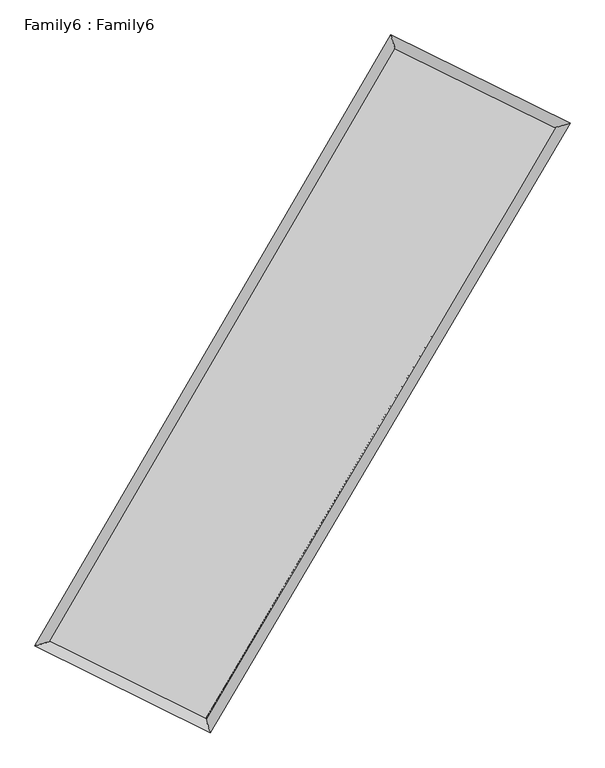
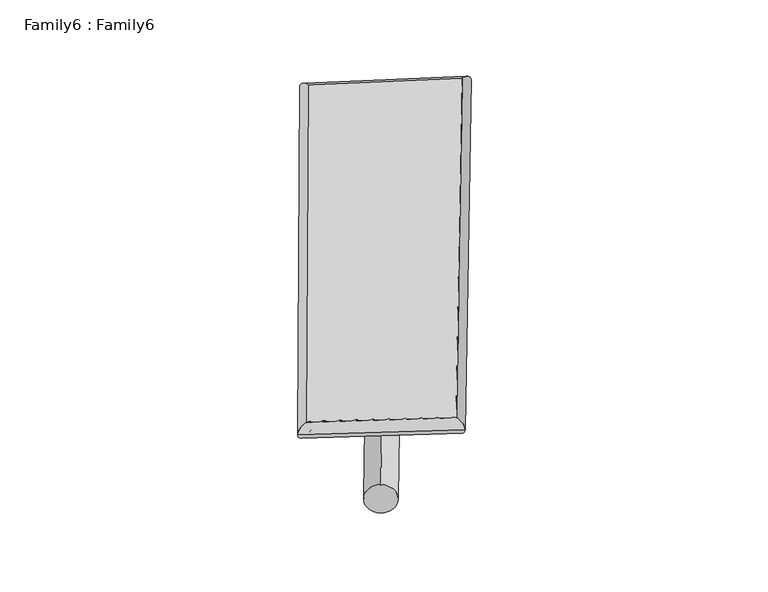
"""IFC4 building model written with IfcOpenShell, lengths in millimetres: plate geometry, Family6 : Family6."""

from ifc_helpers import new_model, si_unit, point, frame, origin, origin_2d, place, context, project, spatial, circle_curve, ellipse_curve, trimmed, segment, composite_curve, outline, extrude, source, transform, mapped, element, save
from ifc_brep_helpers import plane_surface, cylinder_surface, spline_surface, advanced_brep


def family6_family6_a7a765a9(model_context):
    return source(origin(), model_context, "Body", "SolidModel", [
        extrude(outline(composite_curve([segment(trimmed(circle_curve(origin_2d(), 76.2), [point((-75.4341514, -10.7763073))], [point((75.4341514, 10.7763073))], False, "CARTESIAN"), True, "CONTINUOUS"), segment(trimmed(circle_curve(origin_2d(), 76.2), [point((75.4341514, 10.7763073))], [point((-75.4341514, -10.7763073))], False, "CARTESIAN"), True, "CONTINUOUS")], self_intersect=False)), frame((9144.0, 9144.0, 0.0), z_axis=(0.6777962693690562, 0.6843222197481966, 0.26887788452807104), x_axis=(-0.6761706441880361, 0.7237832240190774, -0.13759035055877453)), (0.0, 0.0, 1.0), 5700.5091375),
        extrude(outline(composite_curve([segment(trimmed(circle_curve(origin_2d(), 76.2), [point((-53.8815368, 53.8815367))], [point((53.8815368, -53.8815367))], False, "CARTESIAN"), True, "CONTINUOUS"), segment(trimmed(circle_curve(origin_2d(), 76.2), [point((53.8815368, -53.8815367))], [point((-53.8815368, 53.8815367))], False, "CARTESIAN"), True, "CONTINUOUS")], self_intersect=False)), frame((9144.0, 9144.0, 0.0), z_axis=(-0.6739009318076203, -0.6879168527754222, 0.26949571012611506), x_axis=(0.6396247043180499, -0.3606580251821437, 0.6788269488594008)), (0.0, 0.0, 1.0), 5687.4943057),
        extrude(outline(composite_curve([segment(trimmed(circle_curve(origin_2d(), 76.2), [point((-53.8815368, -53.8815367))], [point((53.8815368, 53.8815367))], False, "CARTESIAN"), True, "CONTINUOUS"), segment(trimmed(circle_curve(origin_2d(), 76.2), [point((53.8815368, 53.8815367))], [point((-53.8815368, -53.8815367))], False, "CARTESIAN"), True, "CONTINUOUS")], self_intersect=False)), frame((9144.0, 9144.0, 0.0), z_axis=(0.2573024851326787, 0.926526927608176, 0.27448731038337904), x_axis=(-0.8432739926020699, 0.35400003161308863, -0.4044415297900259)), (0.0, 0.0, 1.0), 5511.6901672),
        extrude(outline(composite_curve([segment(trimmed(circle_curve(origin_2d(), 76.2), [point((-75.4341514, 10.7763074))], [point((75.4341514, -10.7763074))], False, "CARTESIAN"), True, "CONTINUOUS"), segment(trimmed(circle_curve(origin_2d(), 76.2), [point((75.4341514, -10.7763074))], [point((-75.4341514, 10.7763074))], False, "CARTESIAN"), True, "CONTINUOUS")], self_intersect=False)), frame((9144.0, 9144.0, 0.0), z_axis=(-0.26281091878759644, -0.9249348772141227, 0.274637750280101), x_axis=(0.8818706192770431, -0.11478866325265208, 0.4573049022748321)), (0.0, 0.0, 1.0), 5507.4249707),
        advanced_brep(
        [(5097.483459, 5167.2832435, 1531.3417673), (5097.4719359, 5167.26512, 1534.7135687), (5524.9011165, 5295.6703906, 1534.1688662), (10622.3199964, 14051.162584, 1514.8835323), (10502.0231582, 14450.2961291, 1510.894487), (5524.9126395, 5295.6885141, 1530.7970648), (12792.9995422, 12980.9665757, 1532.5036424), (13222.5681116, 13109.0035577, 1532.9780329), (7637.3480941, 4249.399702, 1512.9010115), (7755.8290725, 3850.5814199, 1512.1925961)],
        [
            (0, 1, ellipse_curve(frame((5311.1922877, 5231.476817, 1532.7553168), z_axis=(-0.28770335607229836, 0.9577105177901818, 0.004164495023213609), x_axis=(-0.9576908113563171, -0.2877256953049804, 0.006498777188433474)), 223.1673382, 152.4)),
            (1, 2, ellipse_curve(frame((5311.1922877, 5231.476817, 1532.7553168), z_axis=(-0.28770335607229836, 0.9577105177901818, 0.004164495023213609), x_axis=(-0.9576908113563171, -0.2877256953049804, 0.006498777188433474)), 223.1673382, 152.4)),
            (2, 3),
            (3, 4, ellipse_curve(frame((10562.1715773, 14250.7293566, 1512.8890097), z_axis=(-0.95744127412506, -0.2886047224836759, -0.0036770588657695667), x_axis=(0.28857643977490227, -0.9574332016847005, 0.006730729427458753)), 208.4442656, 152.4)),
            (4, 0),
            (2, 5, ellipse_curve(frame((5311.1922877, 5231.476817, 1532.7553168), z_axis=(-0.28770335607229836, 0.9577105177901818, 0.004164495023213609), x_axis=(-0.9576908113563171, -0.2877256953049804, 0.006498777188433474)), 223.1673382, 152.4)),
            (5, 0, ellipse_curve(frame((5311.1922877, 5231.476817, 1532.7553168), z_axis=(-0.28770335607229836, 0.9577105177901818, 0.004164495023213609), x_axis=(-0.9576908113563171, -0.2877256953049804, 0.006498777188433474)), 223.1673382, 152.4)),
            (4, 3, ellipse_curve(frame((10562.1715773, 14250.7293566, 1512.8890097), z_axis=(-0.95744127412506, -0.2886047224836759, -0.0036770588657695667), x_axis=(0.28857643977490227, -0.9574332016847005, 0.006730729427458753)), 208.4442656, 152.4)),
            (3, 6),
            (6, 7, ellipse_curve(frame((13007.7838269, 13044.9850667, 1532.7408376), z_axis=(-0.28563510837353184, 0.9583303840929239, -0.003931893786665818), x_axis=(-0.9583118206718447, -0.28565535293327216, -0.006282809974981045)), 224.1256493, 152.4)),
            (7, 4),
            (7, 6, ellipse_curve(frame((13007.7838269, 13044.9850667, 1532.7408376), z_axis=(-0.28563510837353184, 0.9583303840929239, -0.003931893786665818), x_axis=(-0.9583118206718447, -0.28565535293327216, -0.006282809974981045)), 224.1256493, 152.4)),
            (6, 8),
            (8, 9, ellipse_curve(frame((7696.5885833, 4049.990561, 1512.5468038), z_axis=(0.9585841865904228, 0.28478315333892695, -0.003861708574575599), x_axis=(-0.2847524059945344, 0.958575565597884, 0.006996593386816499)), 208.0255115, 152.4)),
            (9, 7),
            (9, 8, ellipse_curve(frame((7696.5885833, 4049.990561, 1512.5468038), z_axis=(0.9585841865904228, 0.28478315333892695, -0.003861708574575599), x_axis=(-0.2847524059945344, 0.958575565597884, 0.006996593386816499)), 208.0255115, 152.4)),
            (8, 5),
            (1, 9),
        ],
        [
            cylinder_surface(frame((5311.1922877, 5231.476817, 1532.7553168), z_axis=(-0.5031370517328129, -0.8642045381101561, 0.0019035449626205996), x_axis=(-0.8641616506061872, 0.5030871681251416, -0.011311184262283887)), 152.4),
            cylinder_surface(frame((10562.1715773, 14250.7293566, 1512.8890097), z_axis=(-0.896892349554649, 0.44218899757813424, -0.007280366143686265), x_axis=(0.4422330575790672, 0.8968780902414789, -0.00629396767287292)), 152.4),
            cylinder_surface(frame((13007.7838269, 13044.9850667, 1532.7408376), z_axis=(0.5084424720467738, 0.8610937901461029, 0.001933181518864275), x_axis=(0.8610957982076013, -0.508442472046774, -0.0005281365160480924)), 152.4),
            cylinder_surface(frame((7696.5885833, 4049.990561, 1512.5468038), z_axis=(0.8960797809398018, -0.4438281167336191, -0.007591375867795223), x_axis=(-0.4438037744465186, -0.8961115159237085, 0.004728722442372768)), 152.4),
        ],
        [
            (0, [[1, 2, 3, 4, 5]]),
            (0, [[6, 7, -5, 8, -3]]),
            (1, [[-4, 9, 10, 11]]),
            (1, [[-8, -11, 12, -9]]),
            (2, [[-10, 13, 14, 15]]),
            (2, [[-12, -15, 16, -13]]),
            (3, [[-14, 17, -6, -2, 18]]),
            (3, [[-16, -18, -1, -7, -17]]),
        ],
    ),
        extrude(outline(composite_curve([segment(trimmed(circle_curve(origin_2d(), 304.8), [point((0.0, 304.8))], [point((0.0, -304.8))], False, "CARTESIAN"), True, "CONTINUOUS"), segment(trimmed(circle_curve(origin_2d(), 304.8), [point((0.0, -304.8))], [point((0.0, 304.8))], False, "CARTESIAN"), True, "CONTINUOUS")], self_intersect=False)), frame((11806.7267986, 13666.9029377, -0.0035953), z_axis=(-0.5073308912947259, -0.8617513369514607, 6.850150974168612e-07), x_axis=(-0.8617513369517127, 0.5073308912947259, -1.86667957758475e-07)), (0.0, 0.0, 1.0), 10497.002427),
        advanced_brep(
        [(5311.1922877, 5231.476817, 1532.7553168), (7696.5885833, 4049.990561, 1512.5468038), (7696.5845084, 4049.9900974, 1664.9468037), (5311.1882129, 5231.4763535, 1685.1553167), (13007.7838269, 13044.9850667, 1532.7408376), (13007.7797521, 13044.9846031, 1685.1408376), (10562.1715773, 14250.7293566, 1512.8890097), (10562.1675025, 14250.728893, 1665.2890096)],
        [
            (0, 1),
            (1, 2),
            (2, 3),
            (3, 0),
            (1, 4),
            (4, 5),
            (5, 2),
            (4, 6),
            (6, 7),
            (7, 5),
            (6, 0),
            (3, 7),
        ],
        [
            plane_surface(frame((6503.8904355, 4640.733689, 1522.6510603), z_axis=(-0.44384100519712416, -0.8961055528745739, -1.4593175442672787e-05), x_axis=(0.8960797809398018, -0.44382811673361894, -0.0075913758677952185))),
            plane_surface(frame((10352.1862051, 8547.4878138, 1522.6438207), z_axis=(0.8610953778775455, -0.5084434577577464, 2.147728865875716e-05), x_axis=(0.5084424720467741, 0.8610937901461029, 0.001933181518864283))),
            plane_surface(frame((11784.9777021, 13647.8572116, 1522.8149236), z_axis=(0.4422006218067024, 0.8969161665741185, 1.455178077553387e-05), x_axis=(-0.8968923495546491, 0.44218899757813407, -0.007280366143686263))),
            plane_surface(frame((7936.6819325, 9741.1030868, 1522.8221632), z_axis=(-0.8642061242935906, 0.5031379276777905, -2.1576601997506245e-05), x_axis=(-0.503137051732813, -0.8642045381101561, 0.001903544962620604))),
            spline_surface(1, 1, [[(7696.5845084, 4049.9900974, 1664.9468037), (5311.1882129, 5231.4763535, 1685.1553167)], [(13007.7797521, 13044.9846031, 1685.1408376), (10562.1675025, 14250.728893, 1665.2890096)]], [2, 2], [2, 2], [0.0, 1.0], [0.0, 1.0]),
            spline_surface(1, 1, [[(10562.1715773, 14250.7293566, 1512.8890097), (5311.1922877, 5231.476817, 1532.7553168)], [(13007.7838269, 13044.9850667, 1532.7408376), (7696.5885833, 4049.990561, 1512.5468038)]], [2, 2], [2, 2], [0.0, 1.0], [0.0, 1.0]),
        ],
        [
            (0, [[1, 2, 3, 4]]),
            (1, [[5, 6, 7, -2]]),
            (2, [[8, 9, 10, -6]]),
            (3, [[11, -4, 12, -9]]),
            (4, [[-3, -7, -10, -12]]),
            (5, [[-11, -8, -5, -1]]),
        ],
    ),
    ])


if __name__ == "__main__":
    model = new_model("IFC4")
    model_context = context("Model", 3, world=origin())
    ifc_project = project(units=[si_unit("LENGTHUNIT", "METRE", prefix="MILLI")], contexts=[model_context])
    site = spatial("IfcSite", under=ifc_project)
    building = spatial("IfcBuilding", under=site)
    placement = place(None, origin())
    family6_family6_shape = family6_family6_a7a765a9(model_context)
    element("IfcPlate", 1, ObjectType="Family6 : Family6", at=placement, inside=building, context=model_context, shape_type="MappedRepresentation", body=[
        mapped(family6_family6_shape, transform((0.0, 0.0, 0.0), x_axis=(1.0, 0.0, 0.0), y_axis=(0.0, 1.0, 0.0), z_axis=(0.0, 0.0, 1.0))),
    ])
    save(model, "model.ifc")
